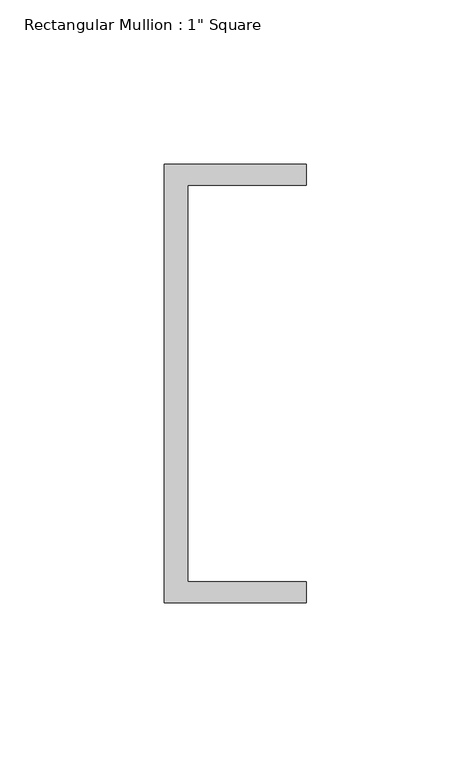
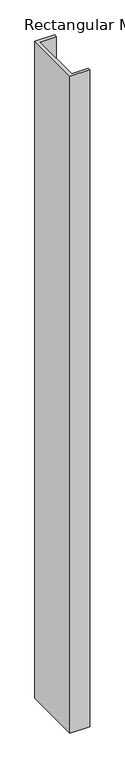
"""IFC4 building model written with IfcOpenShell, lengths in millimetres: member geometry."""

from ifc_helpers import new_model, si_unit, frame, origin, place, context, project, spatial, polyline, outline, extrude, source, transform, mapped, element, save


def member_4eced702(model_context):
    return source(origin(), model_context, "Body", "SweptSolid", [
        extrude(outline(polyline([(-18.6549463, 135.2608739), (24.5675083, 135.2608739), (24.5675083, 128.9108739), (-11.6110886, 128.9108739), (-11.6110886, 8.2608739), (24.5675083, 8.2608739), (24.5675083, 1.9108739), (-18.6549463, 1.9108739), (-18.6549463, 135.2608739)])), frame((0.0, 0.0, -1524.0), z_axis=(0.0, 0.0, 1.0), x_axis=(1.0, 0.0, 0.0)), (0.0, 0.0, 1.0), 1524.0),
    ])


if __name__ == "__main__":
    model = new_model("IFC4")
    model_context = context("Model", 3, world=origin())
    ifc_project = project(units=[si_unit("LENGTHUNIT", "METRE", prefix="MILLI")], contexts=[model_context])
    site = spatial("IfcSite", under=ifc_project)
    building = spatial("IfcBuilding", under=site)
    placement = place(None, origin())
    member_shape = member_4eced702(model_context)
    element("IfcMember", 1, ObjectType="Rectangular Mullion : 1\" Square", at=placement, inside=building, context=model_context, shape_type="MappedRepresentation", body=[
        mapped(member_shape, transform((0.0, 0.0, 0.0), x_axis=(1.0, 0.0, 0.0), y_axis=(0.0, 1.0, 0.0), z_axis=(0.0, 0.0, 1.0))),
    ])
    save(model, "model.ifc")
